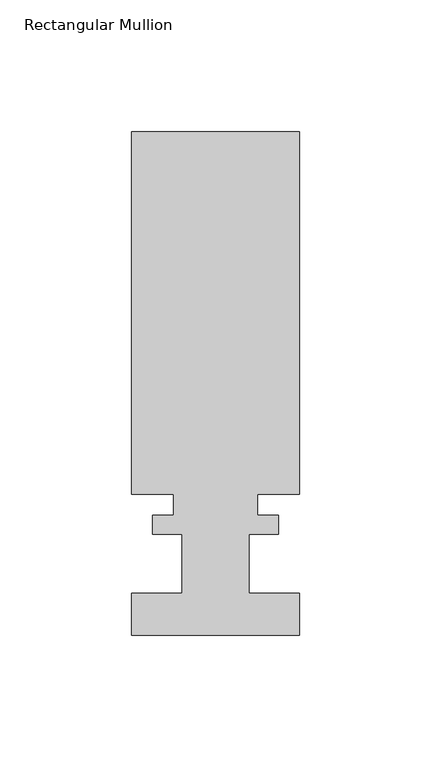
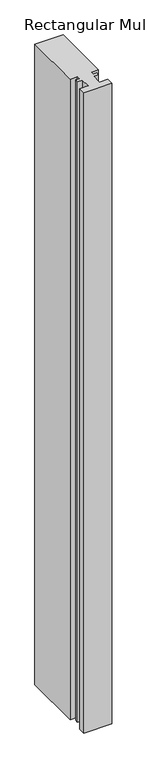
"""IFC4 building model written with IfcOpenShell, lengths in millimetres: member geometry, Rectangular Mullion."""

import ifcopenshell
import ifcopenshell.guid

model = None  # the IFC model being written
_history = None  # IfcOwnerHistory: only IFC2X3 demands one
_inside = {}  # id of a spatial element -> (the spatial element, [elements in it])
_under = {}  # id of a project, library or spatial element -> (it, [spatial elements below it])
_declared = {}  # id of a project -> (the project, [libraries it declares])
_typed = {}  # id of a type object -> (the type object, [elements of that type])
_made_of = {}  # id of a material, layer set ... -> (it, [elements and type objects made of it])


def new_model(schema):
    """Start an empty IFC model of exactly this schema.

    Asked for "IFC4X3", IfcOpenShell would pick the latest addendum, in which some entities
    have other attributes; the version numbers below select the first issue.
    IFC2X3 requires an IfcOwnerHistory on every rooted entity: one is made here for all.
    """
    global model, _history
    if schema == "IFC4X3":
        model = ifcopenshell.file(schema_version=(4, 3, 0, 0))
    else:
        model = ifcopenshell.file(schema=schema)
    _inside.clear()
    _under.clear()
    _declared.clear()
    _typed.clear()
    _made_of.clear()
    _history = None
    if model.schema == "IFC2X3":
        org = make("IfcOrganization", Name="unknown")
        user = make(
            "IfcPersonAndOrganization",
            ThePerson=make("IfcPerson", FamilyName="unknown"),
            TheOrganization=org,
        )
        app = make(
            "IfcApplication",
            ApplicationDeveloper=org,
            Version="unknown",
            ApplicationFullName="unknown",
            ApplicationIdentifier="unknown",
        )
        _history = make(
            "IfcOwnerHistory",
            OwningUser=user,
            OwningApplication=app,
            ChangeAction="ADDED",
            CreationDate=0,
        )
    return model


def make(cls, **values):
    """One entity of the class cls with the attributes given. An attribute that is None is left unset."""
    return model.create_entity(
        cls, **{name: value for name, value in values.items() if value is not None}
    )


def rooted(cls, **values):
    """An entity with a GlobalId (a new one), such as an element, a storey or a relation."""
    return make(cls, GlobalId=ifcopenshell.guid.new(), OwnerHistory=_history, **values)


def si_unit(unit_type, name, prefix=None):
    """IfcSIUnit, for example si_unit("LENGTHUNIT", "METRE", prefix="MILLI")."""
    return make("IfcSIUnit", UnitType=unit_type, Prefix=prefix, Name=name)


def assignment(units):
    """IfcUnitAssignment: the units of a project."""
    return None if units is None else make("IfcUnitAssignment", Units=units)


def point(xyz):
    """IfcCartesianPoint."""
    return None if xyz is None else make("IfcCartesianPoint", Coordinates=xyz)


def direction(xyz):
    """IfcDirection."""
    return None if xyz is None else make("IfcDirection", DirectionRatios=xyz)


def frame(location, z_axis=None, x_axis=None):
    """IfcAxis2Placement3D, a coordinate frame: its origin and axes. An axis left out is left unset."""
    return make(
        "IfcAxis2Placement3D",
        Location=point(location),
        Axis=direction(z_axis),
        RefDirection=direction(x_axis),
    )


def origin():
    """The frame at (0, 0, 0) with its axes left unset."""
    return frame((0.0, 0.0, 0.0))


def place(relative_to, where):
    """IfcLocalPlacement: puts the frame where relative to a parent placement (None: the world)."""
    return make(
        "IfcLocalPlacement", PlacementRelTo=relative_to, RelativePlacement=where
    )


def context(
    kind, dimensions, precision=None, world=None, true_north=None, identifier=None
):
    """IfcGeometricRepresentationContext, for example the 3D "Model" context."""
    return make(
        "IfcGeometricRepresentationContext",
        ContextIdentifier=identifier,
        ContextType=kind,
        CoordinateSpaceDimension=dimensions,
        Precision=precision,
        WorldCoordinateSystem=world,
        TrueNorth=true_north,
    )


def project(units=None, contexts=None):
    """IfcProject with its units and contexts."""
    return rooted(
        "IfcProject",
        Name="project",
        RepresentationContexts=contexts,
        UnitsInContext=assignment(units),
    )


def spatial(cls, under=None, at=None, **own):
    """A site, building, storey or space (cls), placed at a placement, below another one or the project."""
    s = rooted(cls, ObjectPlacement=at, **own)
    if under is not None:
        _under.setdefault(under.id(), (under, []))[1].append(s)
    return s


def polyline(points):
    """IfcPolyline through the points."""
    return make("IfcPolyline", Points=[point(p) for p in points])


def outline(outer, holes=None, kind="AREA"):
    """IfcArbitraryClosedProfileDef: a profile drawn as a closed curve; with holes, ...WithVoids."""
    if holes is None:
        return make("IfcArbitraryClosedProfileDef", ProfileType=kind, OuterCurve=outer)
    return make(
        "IfcArbitraryProfileDefWithVoids",
        ProfileType=kind,
        OuterCurve=outer,
        InnerCurves=holes,
    )


def extrude(swept, where, along, depth):
    """IfcExtrudedAreaSolid: the profile swept, set in the frame where, extruded along a direction by depth."""
    return make(
        "IfcExtrudedAreaSolid",
        SweptArea=swept,
        Position=where,
        ExtrudedDirection=direction(along),
        Depth=depth,
    )


def shape(context_of_items, identifier, shape_type, items):
    """IfcShapeRepresentation: the items that make up one representation, for example the "Body"."""
    return make(
        "IfcShapeRepresentation",
        ContextOfItems=context_of_items,
        RepresentationIdentifier=identifier,
        RepresentationType=shape_type,
        Items=items,
    )


def source(mapping_origin, context_of_items, identifier, shape_type, items):
    """IfcRepresentationMap: a shape defined once, which mapped items show again and again."""
    return make(
        "IfcRepresentationMap",
        MappingOrigin=mapping_origin,
        MappedRepresentation=shape(context_of_items, identifier, shape_type, items),
    )


def transform(
    local_origin,
    x_axis=None,
    y_axis=None,
    z_axis=None,
    scale=None,
    scale2=None,
    scale3=None,
    uniform=True,
):
    """IfcCartesianTransformationOperator3D, or its non-uniform kind. x_axis, y_axis, z_axis: its Axis1, 2, 3."""
    if uniform:
        return make(
            "IfcCartesianTransformationOperator3D",
            Axis1=direction(x_axis),
            Axis2=direction(y_axis),
            LocalOrigin=point(local_origin),
            Scale=scale,
            Axis3=direction(z_axis),
        )
    return make(
        "IfcCartesianTransformationOperator3DnonUniform",
        Axis1=direction(x_axis),
        Axis2=direction(y_axis),
        LocalOrigin=point(local_origin),
        Scale=scale,
        Axis3=direction(z_axis),
        Scale2=scale2,
        Scale3=scale3,
    )


def mapped(mapping_source, mapping_target):
    """IfcMappedItem: shows the shape of a source again, moved by a transform."""
    return make(
        "IfcMappedItem", MappingSource=mapping_source, MappingTarget=mapping_target
    )


def made_of(thing, what):
    """Note that an element or type object is made of a material, layer set ...; save() writes the relation."""
    if what is not None:
        _made_of.setdefault(what.id(), (what, []))[1].append(thing)
    return thing


def element(
    cls,
    number,
    at=None,
    inside=None,
    cuts=None,
    type_object=None,
    material=None,
    context=None,
    identifier="Body",
    shape_type=None,
    held_by="IfcProductDefinitionShape",
    body=None,
    shapes=None,
    **own,
):
    """One element of the class cls, such as IfcWall. Its Tag is "e" and its number.

    at: its placement. inside: the storey or other place that contains it. cuts: it is an
    opening in that element (IfcRelVoidsElement). A single representation is given by context,
    identifier, shape_type and body (its items); several are given by shapes. held_by: the class
    of the entity that holds the representations. save() writes the other relations.
    """
    e = rooted(cls, Tag="e%d" % number, ObjectPlacement=at, **own)
    if body is not None:
        shapes = [shape(context, identifier, shape_type, body)]
    if shapes is not None:
        e.Representation = make(held_by, Representations=shapes)
    if inside is not None:
        _inside.setdefault(inside.id(), (inside, []))[1].append(e)
    if cuts is not None:
        rooted(
            "IfcRelVoidsElement", RelatingBuildingElement=cuts, RelatedOpeningElement=e
        )
    if type_object is not None:
        _typed.setdefault(type_object.id(), (type_object, []))[1].append(e)
    return made_of(e, material)


def aggregate(whole, parts):
    """IfcRelAggregates: a whole, such as a stair, and the parts it consists of."""
    return rooted("IfcRelAggregates", RelatingObject=whole, RelatedObjects=parts)


def save(model, path):
    """Write the relations noted so far, then the file.

    IfcRelAggregates (storeys below a building ...), IfcRelContainedInSpatialStructure (elements
    in a storey), IfcRelDefinesByType, IfcRelAssociatesMaterial and IfcRelDeclares: one each for
    every whole, place, type object, material and project.
    """
    for whole, parts in _under.values():
        aggregate(whole, parts)
    for where, things in _inside.values():
        rooted(
            "IfcRelContainedInSpatialStructure",
            RelatedElements=things,
            RelatingStructure=where,
        )
    for kind, things in _typed.values():
        rooted("IfcRelDefinesByType", RelatedObjects=things, RelatingType=kind)
    for what, things in _made_of.values():
        rooted("IfcRelAssociatesMaterial", RelatedObjects=things, RelatingMaterial=what)
    for by, libraries in _declared.values():
        rooted("IfcRelDeclares", RelatingContext=by, RelatedDefinitions=libraries)
    model.write(path)


def rectangular_mullion_e44a5405(model_context):
    return source(origin(), model_context, "Body", "SweptSolid", [
        extrude(outline(polyline([(-31.75, 0.142875), (-31.75, 16.017875), (-12.7, 16.017875), (-12.7, 38.496875), (-23.8252, 38.496875), (-23.8252, 45.659675), (-15.875, 45.659675), (-15.875, 53.559075), (-31.75, 53.559075), (-31.75, 190.896875), (31.75, 190.896875), (31.75, 53.559075), (15.875, 53.559075), (15.875, 45.659675), (23.8252, 45.659675), (23.8252, 38.496875), (12.7, 38.496875), (12.7, 16.017875), (31.75, 16.017875), (31.75, 0.142875), (-31.75, 0.142875)])), frame((0.0, 0.0, -1528.7752), z_axis=(0.0, 0.0, 1.0), x_axis=(1.0, 0.0, 0.0)), (0.0, 0.0, 1.0), 1528.7752),
    ])


if __name__ == "__main__":
    model = new_model("IFC4")
    model_context = context("Model", 3, world=origin())
    ifc_project = project(units=[si_unit("LENGTHUNIT", "METRE", prefix="MILLI")], contexts=[model_context])
    site = spatial("IfcSite", under=ifc_project)
    building = spatial("IfcBuilding", under=site)
    placement = place(None, origin())
    rectangular_mullion_shape = rectangular_mullion_e44a5405(model_context)
    element("IfcMember", 1, ObjectType="Rectangular Mullion", at=placement, inside=building, context=model_context, shape_type="MappedRepresentation", body=[
        mapped(rectangular_mullion_shape, transform((0.0, 0.0, 0.0), x_axis=(1.0, 0.0, 0.0), y_axis=(0.0, 1.0, 0.0), z_axis=(0.0, 0.0, 1.0))),
    ])
    save(model, "model.ifc")
